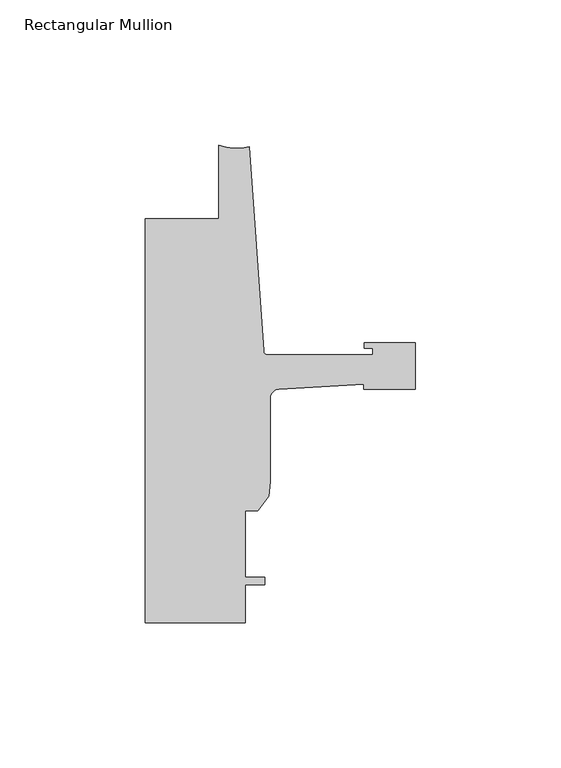
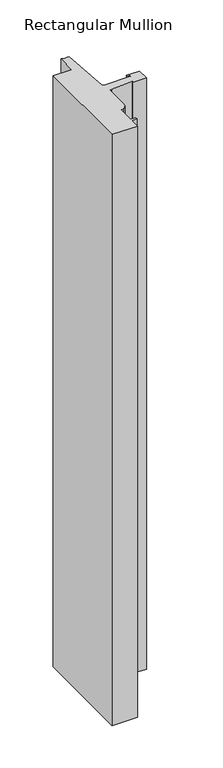
"""IFC4 building model written with IfcOpenShell, lengths in millimetres: member geometry, Rectangular Mullion."""

from ifc_helpers import new_model, si_unit, point, frame, frame_2d, origin, place, context, project, spatial, polyline, circle_curve, trimmed, segment, composite_curve, outline, extrude, source, transform, mapped, element, save


def rectangular_mullion_8c67271e(model_context):
    return source(origin(), model_context, "Body", "SweptSolid", [
        extrude(outline(composite_curve([segment(polyline([(-17.9118541, -69.7047729), (-47.0897067, -71.4438232)]), True, "CONTINUOUS"), segment(trimmed(circle_curve(frame_2d((-46.9265, -74.6146257)), 3.175), [point((-47.0897067, -71.4438232))], [point((-50.1015, -74.6146257))], True, "CARTESIAN"), True, "CONTINUOUS"), segment(polyline([(-50.1015, -74.6146257), (-50.1015, -103.326113), (-50.5979748, -108.3768653), (-54.4195002, -113.4482008), (-58.7375, -113.4482008), (-58.7375, -136.3082008), (-51.8795003, -136.3082008), (-51.8795003, -138.8482008), (-58.7375, -138.8482008), (-58.7375, -151.892), (-93.2286109, -151.892), (-93.2286109, -12.7004525), (-67.8287241, -12.7004525), (-67.8287241, 12.7)]), True, "CONTINUOUS"), segment(trimmed(circle_curve(frame_2d((-61.5737839, 28.2330799)), 16.7451739), [point((-67.8287241, 12.7))], [point((-57.2987656, 12.042803))], True, "CARTESIAN"), True, "CONTINUOUS"), segment(polyline([(-57.2987656, 12.042803), (-52.3871825, -58.1961089)]), True, "CONTINUOUS"), segment(trimmed(circle_curve(frame_2d((-50.8668948, -58.0898)), 1.524), [point((-52.3871825, -58.1961089))], [point((-50.8668948, -59.6138))], True, "CARTESIAN"), True, "CONTINUOUS"), segment(polyline([(-50.8668948, -59.6138), (-14.783487, -59.6138), (-14.783487, -57.2769999), (-17.6377748, -57.2769999), (-17.6377748, -55.4989999), (0.0, -55.4989999), (0.0, -71.5009998), (-17.9118541, -71.5009998), (-17.9118541, -69.7047729)]), True, "CONTINUOUS")], self_intersect=False)), frame((0.0, 0.0, -850.9), z_axis=(0.0, 0.0, 1.0), x_axis=(1.0, 0.0, 0.0)), (0.0, 0.0, 1.0), 850.9),
    ])


if __name__ == "__main__":
    model = new_model("IFC4")
    model_context = context("Model", 3, world=origin())
    ifc_project = project(units=[si_unit("LENGTHUNIT", "METRE", prefix="MILLI")], contexts=[model_context])
    site = spatial("IfcSite", under=ifc_project)
    building = spatial("IfcBuilding", under=site)
    placement = place(None, origin())
    rectangular_mullion_shape = rectangular_mullion_8c67271e(model_context)
    element("IfcMember", 1, ObjectType="Rectangular Mullion", at=placement, inside=building, context=model_context, shape_type="MappedRepresentation", body=[
        mapped(rectangular_mullion_shape, transform((0.0, 0.0, 0.0), x_axis=(1.0, 0.0, 0.0), y_axis=(0.0, 1.0, 0.0), z_axis=(0.0, 0.0, 1.0))),
    ])
    save(model, "model.ifc")
